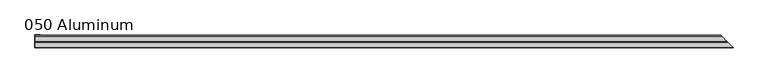
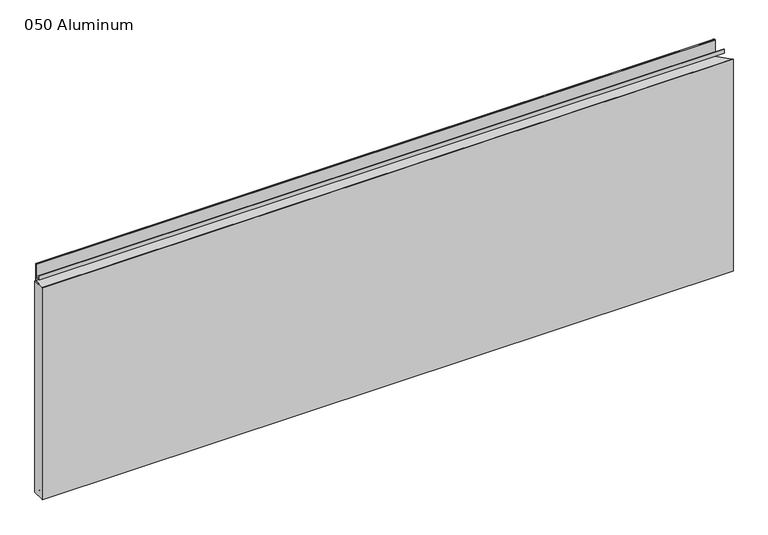
"""IFC4 building model written with IfcOpenShell, lengths in millimetres: plate geometry, 050 Aluminum."""

from ifc_helpers import new_model, si_unit, frame, origin, origin_with_axes, place, context, project, spatial, polyline, circle_curve, ellipse_curve, outline, extrude, source, transform, mapped, element, save
from ifc_brep_helpers import plane_surface, cylinder_surface, revolved_surface, advanced_brep


def plate_050_aluminum_fd6c1871(model_context):
    return source(origin(), model_context, "Body", "SolidModel", [
        extrude(outline(polyline([(-919.4800002, -2.5660257), (-919.4800002, -34.7980001), (-920.7500001, -34.7980001), (-920.7500001, -1.2699999), (-906.5894996, -1.2699999), (-906.5894996, -2.5660257), (-919.4800002, -2.5660257)])), origin_with_axes(), (0.0, 0.0, 1.0), 608.33),
        advanced_brep(
        [(-919.4800002, -16.6765477, 13.1458337), (-919.4800002, -16.6765477, 2.786437), (-919.4800002, -17.9464915, 2.786437), (-919.4800002, -17.9464915, 13.1323356), (-919.4800002, -21.7564743, 13.124237), (-919.4800002, -21.7564743, 0.0), (-919.4800002, -34.7980002, 0.0), (-919.4800002, -34.7980002, 1.2693678), (-919.4800002, -23.0264743, 1.2693678), (-919.4800002, -23.0264743, 13.124237), (937.4265479, -16.6765477, 13.1458337), (937.4265479, -16.6765477, 2.786437), (938.6964916, -17.9464915, 2.786437), (938.6964916, -17.9464915, 13.1323356), (942.5064744, -21.7564743, 13.124237), (942.5064744, -21.7564743, 0.0), (955.5480002, -34.798, 0.0), (955.5480003, -34.7980002, 1.2693678), (943.7764744, -23.0264743, 1.2693678), (943.7764744, -23.0264743, 13.124237)],
        [
            (0, 1),
            (1, 2),
            (2, 3),
            (3, 4, circle_curve(frame((-919.4800002, -19.8514743, 13.124237), z_axis=(1.0, 0.0, 0.0), x_axis=(0.0, 0.0, -1.0)), 1.905)),
            (4, 5),
            (5, 6),
            (6, 7),
            (7, 8),
            (8, 9),
            (9, 0, circle_curve(frame((-919.4800002, -19.8514743, 13.124237), z_axis=(-1.0, 0.0, 0.0), x_axis=(0.0, 0.0, -1.0)), 3.175)),
            (0, 10),
            (10, 11),
            (11, 1),
            (11, 12),
            (12, 2),
            (12, 13),
            (13, 3),
            (13, 14, ellipse_curve(frame((940.6014744, -19.8514743, 13.124237), z_axis=(0.7071067811865489, 0.7071067811865461, 0.0), x_axis=(0.7071067811865461, -0.7071067811865489, 0.0)), 2.6940768, 1.905)),
            (14, 4),
            (14, 15),
            (15, 5),
            (15, 16),
            (16, 6),
            (16, 17),
            (17, 7),
            (17, 18),
            (18, 8),
            (18, 19),
            (19, 9),
            (19, 10, ellipse_curve(frame((940.6014744, -19.8514743, 13.124237), z_axis=(-0.7071067811865489, -0.7071067811865461, 0.0), x_axis=(-0.7071067811865461, 0.7071067811865489, 0.0)), 4.4901281, 3.175)),
        ],
        [
            plane_surface(frame((-919.4800002, -36.068, 0.0), z_axis=(-1.0, 0.0, 0.0), x_axis=(0.0, 0.0, 1.0))),
            plane_surface(frame((-919.4800002, -16.6765477, 13.1458337), z_axis=(0.0, 1.0, 0.0), x_axis=(1.0, 0.0, 0.0))),
            plane_surface(frame((-919.4800002, -16.6765477, 2.786437), z_axis=(0.0, 0.0, -1.0), x_axis=(1.0, 0.0, 0.0))),
            plane_surface(frame((-919.4800002, -17.9464915, 2.786437), z_axis=(0.0, -1.0, 0.0), x_axis=(1.0, 0.0, 0.0))),
            revolved_surface(polyline([(942.5064743999999, -19.8514743, 11.219237000000001), (-919.4800002, -19.8514743, 11.219237000000001)]), (-919.4800002, -19.8514743, 13.124237), (1.0, 0.0, 0.0)),
            plane_surface(frame((-919.4800002, -21.7564743, 13.124237), z_axis=(0.0, 1.0, 0.0), x_axis=(1.0, 0.0, 0.0))),
            plane_surface(frame((-919.4800002, -21.7564743, 0.0), z_axis=(0.0, 0.0, -1.0), x_axis=(1.0, 0.0, 0.0))),
            plane_surface(frame((-919.4800002, -34.7980002, 0.0), z_axis=(0.0, -1.0, 0.0), x_axis=(1.0, 0.0, 0.0))),
            plane_surface(frame((-919.4800002, -34.7980002, 1.2693678), z_axis=(0.0, 0.0, 1.0), x_axis=(1.0, 0.0, 0.0))),
            plane_surface(frame((-919.4800002, -23.0264743, 1.2693678), z_axis=(0.0, -1.0, 0.0), x_axis=(1.0, 0.0, 0.0))),
            cylinder_surface(frame((-919.4800002, -19.8514743, 13.124237), z_axis=(-1.0, 0.0, 0.0), x_axis=(0.0, 0.0, -1.0)), 3.175),
            plane_surface(frame((920.7500002, 0.0, 795.4549971), z_axis=(0.7071067811865489, 0.7071067811865461, 0.0), x_axis=(0.0, 0.0, -1.0))),
        ],
        [
            (0, [[1, 2, 3, 4, 5, 6, 7, 8, 9, 10]]),
            (1, [[-1, 11, 12, 13]]),
            (2, [[-2, -13, 14, 15]]),
            (3, [[-3, -15, 16, 17]]),
            (4, [[-4, -17, 18, 19]]),
            (5, [[-5, -19, 20, 21]]),
            (6, [[-6, -21, 22, 23]]),
            (7, [[-7, -23, 24, 25]]),
            (8, [[-8, -25, 26, 27]]),
            (9, [[-9, -27, 28, 29]]),
            (10, [[-10, -29, 30, -11]]),
            (11, [[-12, -30, -28, -26, -24, -22, -20, -18, -16, -14]]),
        ],
    ),
        advanced_brep(
        [(-919.4800002, -2.0574743, 656.7932001), (-919.4800002, -2.0574743, 608.33), (-919.4800002, -34.7980002, 608.33), (-919.4800002, -34.7980002, 609.6000001), (-919.4800002, -3.3274743, 609.6000001), (-919.4800002, -3.3274743, 656.7932001), (-919.4800002, -4.0894742, 656.7932001), (-919.4800002, -4.0894742, 622.3), (-919.4800002, -20.4864742, 622.3), (-919.4800002, -20.4864742, 633.6538), (-919.4800002, -19.2164743, 633.6538), (-919.4800002, -19.2164743, 623.57), (-919.4800002, -5.3594742, 623.57), (-919.4800002, -5.3594742, 656.7932001), (922.8074744, -2.0574743, 656.7932001), (922.8074744, -2.0574743, 608.33), (955.5480002, -34.798, 608.33), (955.5480003, -34.7980002, 609.6000001), (924.0774744, -3.3274743, 609.6000001), (924.0774744, -3.3274743, 656.7932001), (924.8394743, -4.0894742, 656.7932001), (924.8394743, -4.0894742, 622.3), (941.2364744, -20.4864742, 622.3), (941.2364744, -20.4864742, 633.6538), (939.9664745, -19.2164743, 633.6538), (939.9664745, -19.2164743, 623.57), (926.1094743, -5.3594742, 623.57), (926.1094743, -5.3594742, 656.7932001)],
        [
            (0, 1),
            (1, 2),
            (2, 3),
            (3, 4),
            (4, 5),
            (5, 6, circle_curve(frame((-919.4800002, -3.7084742, 656.7932001), z_axis=(1.0, 0.0, 0.0), x_axis=(0.0, 0.0, -1.0)), 0.3809999)),
            (6, 7),
            (7, 8),
            (8, 9),
            (9, 10),
            (10, 11),
            (11, 12),
            (12, 13),
            (13, 0, circle_curve(frame((-919.4800002, -3.7084742, 656.7932001), z_axis=(-1.0, 0.0, 0.0), x_axis=(0.0, 0.0, -1.0)), 1.6509999)),
            (0, 14),
            (14, 15),
            (15, 1),
            (15, 16),
            (16, 2),
            (16, 17),
            (17, 3),
            (17, 18),
            (18, 4),
            (18, 19),
            (19, 5),
            (19, 20, ellipse_curve(frame((924.4584744, -3.7084742, 656.7932001), z_axis=(0.7071067811865489, 0.7071067811865461, 0.0), x_axis=(0.7071067811865461, -0.7071067811865489, 0.0)), 0.5388153, 0.3809999)),
            (20, 6),
            (20, 21),
            (21, 7),
            (21, 22),
            (22, 8),
            (22, 23),
            (23, 9),
            (23, 24),
            (24, 10),
            (24, 25),
            (25, 11),
            (25, 26),
            (26, 12),
            (26, 27),
            (27, 13),
            (27, 14, ellipse_curve(frame((924.4584744, -3.7084742, 656.7932001), z_axis=(-0.7071067811865489, -0.7071067811865461, 0.0), x_axis=(-0.7071067811865461, 0.7071067811865489, 0.0)), 2.3348665, 1.6509999)),
        ],
        [
            plane_surface(frame((-919.4800002, -36.068, 609.6), z_axis=(-1.0, 0.0, 0.0), x_axis=(0.0, 0.0, 1.0))),
            plane_surface(frame((-919.4800002, -2.0574743, 656.7932001), z_axis=(0.0, 1.0, 0.0), x_axis=(1.0, 0.0, 0.0))),
            plane_surface(frame((-919.4800002, -2.0574743, 608.33), z_axis=(0.0, 0.0, -1.0), x_axis=(1.0, 0.0, 0.0))),
            plane_surface(frame((-919.4800002, -34.7980002, 608.33), z_axis=(0.0, -1.0, 0.0), x_axis=(1.0, 0.0, 0.0))),
            plane_surface(frame((-919.4800002, -34.7980002, 609.6000001), z_axis=(0.0, 0.0, 1.0), x_axis=(1.0, 0.0, 0.0))),
            plane_surface(frame((-919.4800002, -3.3274743, 609.6000001), z_axis=(0.0, -1.0, 0.0), x_axis=(1.0, 0.0, 0.0))),
            revolved_surface(polyline([(924.8394743524373, -3.7084742, 656.4122002), (-919.4800002, -3.7084742, 656.4122002)]), (-919.4800002, -3.7084742, 656.7932001), (1.0, 0.0, 0.0)),
            plane_surface(frame((-919.4800002, -4.0894742, 656.7932001), z_axis=(0.0, 1.0, 0.0), x_axis=(1.0, 0.0, 0.0))),
            plane_surface(frame((-919.4800002, -4.0894742, 622.3), z_axis=(0.0, 0.0, -1.0), x_axis=(1.0, 0.0, 0.0))),
            plane_surface(frame((-919.4800002, -20.4864742, 622.3), z_axis=(0.0, -1.0, 0.0), x_axis=(1.0, 0.0, 0.0))),
            plane_surface(frame((-919.4800002, -20.4864742, 633.6538), z_axis=(0.0, 0.0, 1.0), x_axis=(1.0, 0.0, 0.0))),
            plane_surface(frame((-919.4800002, -19.2164743, 633.6538), z_axis=(0.0, 1.0, 0.0), x_axis=(1.0, 0.0, 0.0))),
            plane_surface(frame((-919.4800002, -19.2164743, 623.57), z_axis=(0.0, 0.0, 1.0), x_axis=(1.0, 0.0, 0.0))),
            plane_surface(frame((-919.4800002, -5.3594742, 623.57), z_axis=(0.0, -1.0, 0.0), x_axis=(1.0, 0.0, 0.0))),
            cylinder_surface(frame((-919.4800002, -3.7084742, 656.7932001), z_axis=(-1.0, 0.0, 0.0), x_axis=(0.0, 0.0, -1.0)), 1.6509999),
            plane_surface(frame((920.7500002, 0.0, 795.4549971), z_axis=(0.7071067811865489, 0.7071067811865461, 0.0), x_axis=(0.0, 0.0, -1.0))),
        ],
        [
            (0, [[1, 2, 3, 4, 5, 6, 7, 8, 9, 10, 11, 12, 13, 14]]),
            (1, [[-1, 15, 16, 17]]),
            (2, [[-2, -17, 18, 19]]),
            (3, [[-3, -19, 20, 21]]),
            (4, [[-4, -21, 22, 23]]),
            (5, [[-5, -23, 24, 25]]),
            (6, [[-6, -25, 26, 27]]),
            (7, [[-7, -27, 28, 29]]),
            (8, [[-8, -29, 30, 31]]),
            (9, [[-9, -31, 32, 33]]),
            (10, [[-10, -33, 34, 35]]),
            (11, [[-11, -35, 36, 37]]),
            (12, [[-12, -37, 38, 39]]),
            (13, [[-13, -39, 40, 41]]),
            (14, [[-14, -41, 42, -15]]),
            (15, [[-16, -42, -40, -38, -36, -34, -32, -30, -28, -26, -24, -22, -20, -18]]),
        ],
    ),
        extrude(outline(polyline([(-920.7500002, -36.068), (-920.7500002, -34.7980001), (955.5480002, -34.7980001), (956.8180002, -36.068), (-920.7500002, -36.068)])), origin_with_axes(), (0.0, 0.0, 1.0), 609.6),
    ])


if __name__ == "__main__":
    model = new_model("IFC4")
    model_context = context("Model", 3, world=origin())
    ifc_project = project(units=[si_unit("LENGTHUNIT", "METRE", prefix="MILLI")], contexts=[model_context])
    site = spatial("IfcSite", under=ifc_project)
    building = spatial("IfcBuilding", under=site)
    placement = place(None, origin())
    plate_050_aluminum_shape = plate_050_aluminum_fd6c1871(model_context)
    element("IfcPlate", 1, ObjectType="050 Aluminum", at=placement, inside=building, context=model_context, shape_type="MappedRepresentation", body=[
        mapped(plate_050_aluminum_shape, transform((0.0, 0.0, 0.0), x_axis=(1.0, 0.0, 0.0), y_axis=(0.0, 1.0, 0.0), z_axis=(0.0, 0.0, 1.0))),
    ])
    save(model, "model.ifc")
